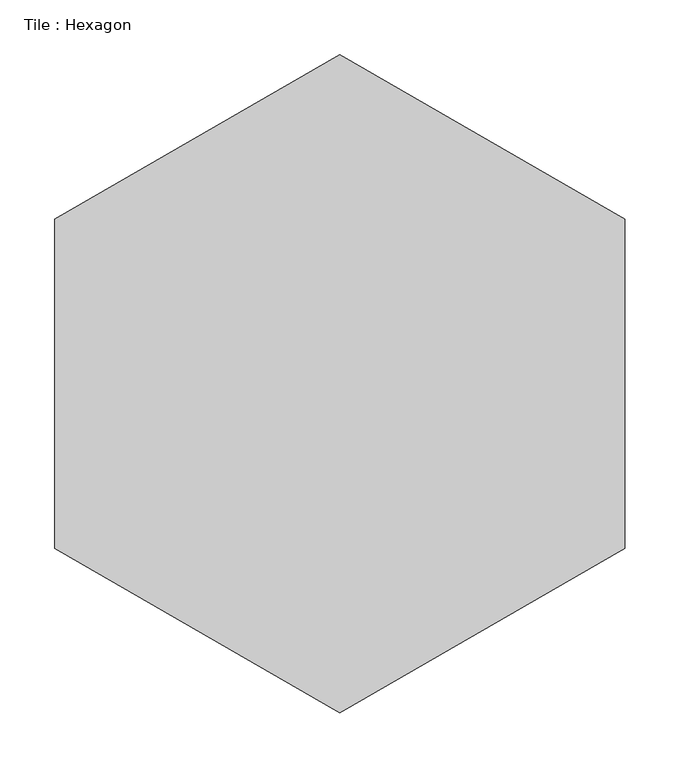
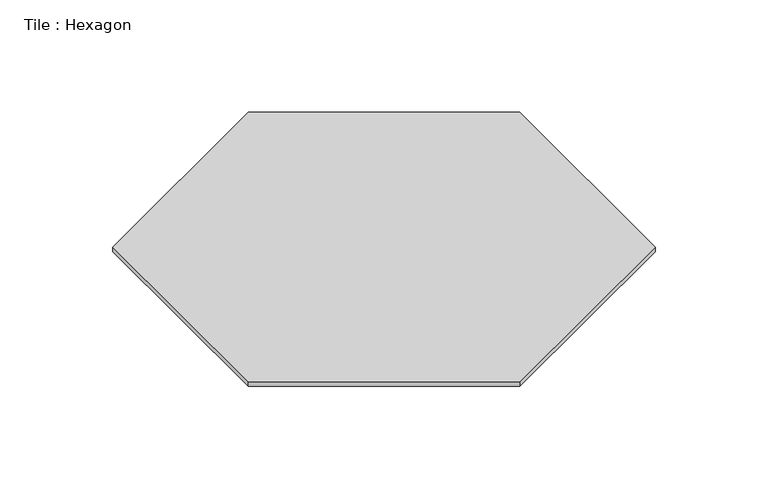
"""IFC4 building model written with IfcOpenShell, lengths in millimetres: proxy geometry, Tile : Hexagon."""

import ifcopenshell
import ifcopenshell.guid

model = None  # the IFC model being written
_history = None  # IfcOwnerHistory: only IFC2X3 demands one
_inside = {}  # id of a spatial element -> (the spatial element, [elements in it])
_under = {}  # id of a project, library or spatial element -> (it, [spatial elements below it])
_declared = {}  # id of a project -> (the project, [libraries it declares])
_typed = {}  # id of a type object -> (the type object, [elements of that type])
_made_of = {}  # id of a material, layer set ... -> (it, [elements and type objects made of it])


def new_model(schema):
    """Start an empty IFC model of exactly this schema.

    Asked for "IFC4X3", IfcOpenShell would pick the latest addendum, in which some entities
    have other attributes; the version numbers below select the first issue.
    IFC2X3 requires an IfcOwnerHistory on every rooted entity: one is made here for all.
    """
    global model, _history
    if schema == "IFC4X3":
        model = ifcopenshell.file(schema_version=(4, 3, 0, 0))
    else:
        model = ifcopenshell.file(schema=schema)
    _inside.clear()
    _under.clear()
    _declared.clear()
    _typed.clear()
    _made_of.clear()
    _history = None
    if model.schema == "IFC2X3":
        org = make("IfcOrganization", Name="unknown")
        user = make(
            "IfcPersonAndOrganization",
            ThePerson=make("IfcPerson", FamilyName="unknown"),
            TheOrganization=org,
        )
        app = make(
            "IfcApplication",
            ApplicationDeveloper=org,
            Version="unknown",
            ApplicationFullName="unknown",
            ApplicationIdentifier="unknown",
        )
        _history = make(
            "IfcOwnerHistory",
            OwningUser=user,
            OwningApplication=app,
            ChangeAction="ADDED",
            CreationDate=0,
        )
    return model


def make(cls, **values):
    """One entity of the class cls with the attributes given. An attribute that is None is left unset."""
    return model.create_entity(
        cls, **{name: value for name, value in values.items() if value is not None}
    )


def rooted(cls, **values):
    """An entity with a GlobalId (a new one), such as an element, a storey or a relation."""
    return make(cls, GlobalId=ifcopenshell.guid.new(), OwnerHistory=_history, **values)


def si_unit(unit_type, name, prefix=None):
    """IfcSIUnit, for example si_unit("LENGTHUNIT", "METRE", prefix="MILLI")."""
    return make("IfcSIUnit", UnitType=unit_type, Prefix=prefix, Name=name)


def assignment(units):
    """IfcUnitAssignment: the units of a project."""
    return None if units is None else make("IfcUnitAssignment", Units=units)


def point(xyz):
    """IfcCartesianPoint."""
    return None if xyz is None else make("IfcCartesianPoint", Coordinates=xyz)


def direction(xyz):
    """IfcDirection."""
    return None if xyz is None else make("IfcDirection", DirectionRatios=xyz)


def frame(location, z_axis=None, x_axis=None):
    """IfcAxis2Placement3D, a coordinate frame: its origin and axes. An axis left out is left unset."""
    return make(
        "IfcAxis2Placement3D",
        Location=point(location),
        Axis=direction(z_axis),
        RefDirection=direction(x_axis),
    )


def origin():
    """The frame at (0, 0, 0) with its axes left unset."""
    return frame((0.0, 0.0, 0.0))


def origin_with_axes():
    """The frame at (0, 0, 0) with the z axis (0, 0, 1) and the x axis (1, 0, 0) written out."""
    return frame((0.0, 0.0, 0.0), z_axis=(0.0, 0.0, 1.0), x_axis=(1.0, 0.0, 0.0))


def place(relative_to, where):
    """IfcLocalPlacement: puts the frame where relative to a parent placement (None: the world)."""
    return make(
        "IfcLocalPlacement", PlacementRelTo=relative_to, RelativePlacement=where
    )


def context(
    kind, dimensions, precision=None, world=None, true_north=None, identifier=None
):
    """IfcGeometricRepresentationContext, for example the 3D "Model" context."""
    return make(
        "IfcGeometricRepresentationContext",
        ContextIdentifier=identifier,
        ContextType=kind,
        CoordinateSpaceDimension=dimensions,
        Precision=precision,
        WorldCoordinateSystem=world,
        TrueNorth=true_north,
    )


def project(units=None, contexts=None):
    """IfcProject with its units and contexts."""
    return rooted(
        "IfcProject",
        Name="project",
        RepresentationContexts=contexts,
        UnitsInContext=assignment(units),
    )


def spatial(cls, under=None, at=None, **own):
    """A site, building, storey or space (cls), placed at a placement, below another one or the project."""
    s = rooted(cls, ObjectPlacement=at, **own)
    if under is not None:
        _under.setdefault(under.id(), (under, []))[1].append(s)
    return s


def polyline(points):
    """IfcPolyline through the points."""
    return make("IfcPolyline", Points=[point(p) for p in points])


def outline(outer, holes=None, kind="AREA"):
    """IfcArbitraryClosedProfileDef: a profile drawn as a closed curve; with holes, ...WithVoids."""
    if holes is None:
        return make("IfcArbitraryClosedProfileDef", ProfileType=kind, OuterCurve=outer)
    return make(
        "IfcArbitraryProfileDefWithVoids",
        ProfileType=kind,
        OuterCurve=outer,
        InnerCurves=holes,
    )


def extrude(swept, where, along, depth):
    """IfcExtrudedAreaSolid: the profile swept, set in the frame where, extruded along a direction by depth."""
    return make(
        "IfcExtrudedAreaSolid",
        SweptArea=swept,
        Position=where,
        ExtrudedDirection=direction(along),
        Depth=depth,
    )


def shape(context_of_items, identifier, shape_type, items):
    """IfcShapeRepresentation: the items that make up one representation, for example the "Body"."""
    return make(
        "IfcShapeRepresentation",
        ContextOfItems=context_of_items,
        RepresentationIdentifier=identifier,
        RepresentationType=shape_type,
        Items=items,
    )


def source(mapping_origin, context_of_items, identifier, shape_type, items):
    """IfcRepresentationMap: a shape defined once, which mapped items show again and again."""
    return make(
        "IfcRepresentationMap",
        MappingOrigin=mapping_origin,
        MappedRepresentation=shape(context_of_items, identifier, shape_type, items),
    )


def transform(
    local_origin,
    x_axis=None,
    y_axis=None,
    z_axis=None,
    scale=None,
    scale2=None,
    scale3=None,
    uniform=True,
):
    """IfcCartesianTransformationOperator3D, or its non-uniform kind. x_axis, y_axis, z_axis: its Axis1, 2, 3."""
    if uniform:
        return make(
            "IfcCartesianTransformationOperator3D",
            Axis1=direction(x_axis),
            Axis2=direction(y_axis),
            LocalOrigin=point(local_origin),
            Scale=scale,
            Axis3=direction(z_axis),
        )
    return make(
        "IfcCartesianTransformationOperator3DnonUniform",
        Axis1=direction(x_axis),
        Axis2=direction(y_axis),
        LocalOrigin=point(local_origin),
        Scale=scale,
        Axis3=direction(z_axis),
        Scale2=scale2,
        Scale3=scale3,
    )


def mapped(mapping_source, mapping_target):
    """IfcMappedItem: shows the shape of a source again, moved by a transform."""
    return make(
        "IfcMappedItem", MappingSource=mapping_source, MappingTarget=mapping_target
    )


def made_of(thing, what):
    """Note that an element or type object is made of a material, layer set ...; save() writes the relation."""
    if what is not None:
        _made_of.setdefault(what.id(), (what, []))[1].append(thing)
    return thing


def element(
    cls,
    number,
    at=None,
    inside=None,
    cuts=None,
    type_object=None,
    material=None,
    context=None,
    identifier="Body",
    shape_type=None,
    held_by="IfcProductDefinitionShape",
    body=None,
    shapes=None,
    **own,
):
    """One element of the class cls, such as IfcWall. Its Tag is "e" and its number.

    at: its placement. inside: the storey or other place that contains it. cuts: it is an
    opening in that element (IfcRelVoidsElement). A single representation is given by context,
    identifier, shape_type and body (its items); several are given by shapes. held_by: the class
    of the entity that holds the representations. save() writes the other relations.
    """
    e = rooted(cls, Tag="e%d" % number, ObjectPlacement=at, **own)
    if body is not None:
        shapes = [shape(context, identifier, shape_type, body)]
    if shapes is not None:
        e.Representation = make(held_by, Representations=shapes)
    if inside is not None:
        _inside.setdefault(inside.id(), (inside, []))[1].append(e)
    if cuts is not None:
        rooted(
            "IfcRelVoidsElement", RelatingBuildingElement=cuts, RelatedOpeningElement=e
        )
    if type_object is not None:
        _typed.setdefault(type_object.id(), (type_object, []))[1].append(e)
    return made_of(e, material)


def aggregate(whole, parts):
    """IfcRelAggregates: a whole, such as a stair, and the parts it consists of."""
    return rooted("IfcRelAggregates", RelatingObject=whole, RelatedObjects=parts)


def save(model, path):
    """Write the relations noted so far, then the file.

    IfcRelAggregates (storeys below a building ...), IfcRelContainedInSpatialStructure (elements
    in a storey), IfcRelDefinesByType, IfcRelAssociatesMaterial and IfcRelDeclares: one each for
    every whole, place, type object, material and project.
    """
    for whole, parts in _under.values():
        aggregate(whole, parts)
    for where, things in _inside.values():
        rooted(
            "IfcRelContainedInSpatialStructure",
            RelatedElements=things,
            RelatingStructure=where,
        )
    for kind, things in _typed.values():
        rooted("IfcRelDefinesByType", RelatedObjects=things, RelatingType=kind)
    for what, things in _made_of.values():
        rooted("IfcRelAssociatesMaterial", RelatedObjects=things, RelatingMaterial=what)
    for by, libraries in _declared.values():
        rooted("IfcRelDeclares", RelatingContext=by, RelatedDefinitions=libraries)
    model.write(path)


def tile_hexagon_d4d4d8c1(model_context):
    return source(origin(), model_context, "Body", "SweptSolid", [
        extrude(outline(polyline([(-259.8076211, 150.0), (0.0, 300.0), (259.8076211, 150.0), (259.8076211, -150.0), (0.0, -300.0), (-259.8076211, -150.0), (-259.8076211, 150.0)])), origin_with_axes(), (0.0, 0.0, 1.0), 6.0),
    ])


if __name__ == "__main__":
    model = new_model("IFC4")
    model_context = context("Model", 3, world=origin())
    ifc_project = project(units=[si_unit("LENGTHUNIT", "METRE", prefix="MILLI")], contexts=[model_context])
    site = spatial("IfcSite", under=ifc_project)
    building = spatial("IfcBuilding", under=site)
    placement = place(None, origin())
    tile_hexagon_shape = tile_hexagon_d4d4d8c1(model_context)
    element("IfcBuildingElementProxy", 1, Name="Tile : Hexagon", ObjectType="Tile : Hexagon", at=placement, inside=building, context=model_context, shape_type="MappedRepresentation", body=[
        mapped(tile_hexagon_shape, transform((0.0, 0.0, 0.0), x_axis=(1.0, 0.0, 0.0), y_axis=(0.0, 1.0, 0.0), z_axis=(0.0, 0.0, 1.0))),
    ])
    save(model, "model.ifc")
